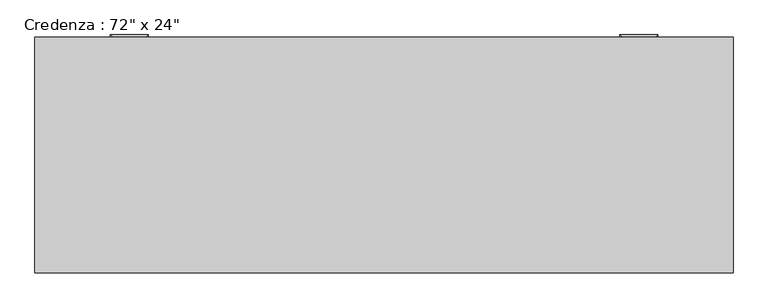
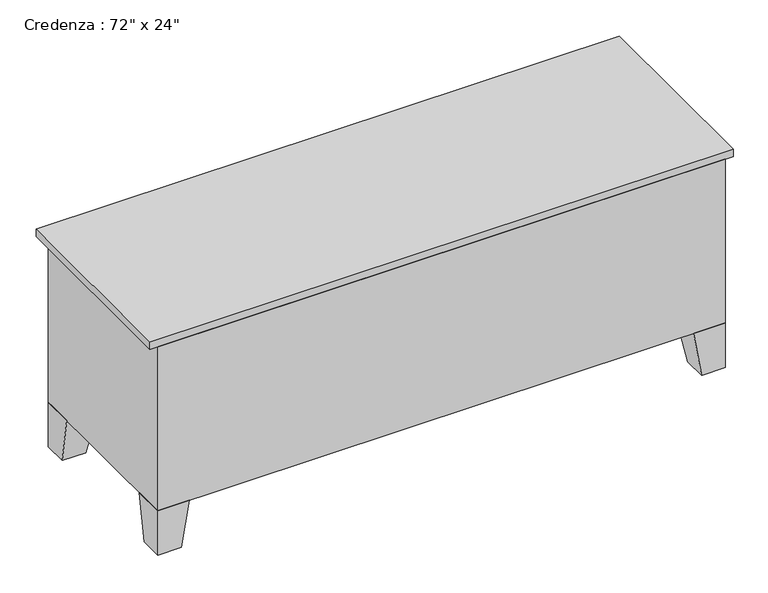
"""IFC4 building model written with IfcOpenShell, lengths in millimetres: furniture geometry."""

from ifc_helpers import new_model, si_unit, frame, origin, place, context, project, spatial, polyline, outline, extrude, faceted_brep, source, transform, mapped, element, save


def furniture_5a5a5c8e(model_context):
    return source(origin(), model_context, "Body", "SolidModel", [
        extrude(outline(polyline([(531.7023176, 267.2714583), (531.7023176, 254.5714583), (46.8442623, 254.5714583), (46.8442623, 267.2714583), (531.7023176, 267.2714583)])), frame((0.0, 0.0, 171.45), z_axis=(0.0, 0.0, 1.0), x_axis=(1.0, 0.0, 0.0)), (0.0, 0.0, 1.0), 520.7),
        extrude(outline(polyline([(73.6254475, 279.9714583), (73.6254475, 267.2714583), (-378.6057377, 267.2714583), (-378.6057377, 279.9714583), (73.6254475, 279.9714583)])), frame((0.0, 0.0, 171.45), z_axis=(0.0, 0.0, 1.0), x_axis=(1.0, 0.0, 0.0)), (0.0, 0.0, 1.0), 520.7),
        faceted_brep([(872.3442623, -309.3803279, 152.4), (973.9442623, -309.3803279, 152.4), (973.9442623, -207.7803279, 152.4), (872.3442623, -207.7803279, 152.4), (897.7442623, -309.3803279, 0.0), (897.7442623, -233.1803279, 0.0), (973.9442623, -233.1803279, 0.0), (973.9442623, -309.3803279, 0.0)], [[[0, 1, 2, 3]], [[4, 5, 6, 7]], [[4, 0, 3, 5]], [[5, 3, 2, 6]], [[6, 2, 1, 7]], [[7, 1, 0, 4]]]),
        extrude(outline(polyline([(954.8942623, 306.5696721), (954.8942623, 300.2196721), (516.7442623, 300.2196721), (516.7442623, 306.5696721), (954.8942623, 306.5696721)])), frame((0.0, 0.0, 584.2), z_axis=(0.0, 0.0, 1.0), x_axis=(1.0, 0.0, 0.0)), (0.0, 0.0, 1.0), 107.95),
        extrude(outline(polyline([(954.8942623, 306.5696721), (954.8942623, 300.2196721), (516.7442623, 300.2196721), (516.7442623, 306.5696721), (954.8942623, 306.5696721)])), frame((0.0, 0.0, 171.45), z_axis=(0.0, 0.0, 1.0), x_axis=(1.0, 0.0, 0.0)), (0.0, 0.0, 1.0), 393.7),
        extrude(outline(polyline([(-397.6557377, 306.5696721), (-397.6557377, 300.2196721), (-835.8057377, 300.2196721), (-835.8057377, 306.5696721), (-397.6557377, 306.5696721)])), frame((0.0, 0.0, 584.2), z_axis=(0.0, 0.0, 1.0), x_axis=(1.0, 0.0, 0.0)), (0.0, 0.0, 1.0), 107.95),
        extrude(outline(polyline([(-397.6557377, 306.5696721), (-397.6557377, 300.2196721), (-835.8057377, 300.2196721), (-835.8057377, 306.5696721), (-397.6557377, 306.5696721)])), frame((0.0, 0.0, 171.45), z_axis=(0.0, 0.0, 1.0), x_axis=(1.0, 0.0, 0.0)), (0.0, 0.0, 1.0), 393.7),
        faceted_brep([(-753.2557377, 300.2196721, 152.4), (-854.8557377, 300.2196721, 152.4), (-854.8557377, 198.6196721, 152.4), (-753.2557377, 198.6196721, 152.4), (-778.6557377, 300.2196721, 0.0), (-778.6557377, 224.0196721, 0.0), (-854.8557377, 224.0196721, 0.0), (-854.8557377, 300.2196721, 0.0)], [[[0, 1, 2, 3]], [[4, 5, 6, 7]], [[4, 0, 3, 5]], [[5, 3, 2, 6]], [[6, 2, 1, 7]], [[7, 1, 0, 4]]]),
        faceted_brep([(-753.2557377, -309.3803279, 152.4), (-753.2557377, -207.7803279, 152.4), (-854.8557377, -207.7803279, 152.4), (-854.8557377, -309.3803279, 152.4), (-778.6557377, -309.3803279, 0.0), (-854.8557377, -309.3803279, 0.0), (-854.8557377, -233.1803279, 0.0), (-778.6557377, -233.1803279, 0.0)], [[[0, 1, 2, 3]], [[4, 5, 6, 7]], [[4, 0, 3, 5]], [[5, 3, 2, 6]], [[6, 2, 1, 7]], [[7, 1, 0, 4]]]),
        faceted_brep([(872.3442623, 300.2196721, 152.4), (872.3442623, 198.6196721, 152.4), (973.9442623, 198.6196721, 152.4), (973.9442623, 300.2196721, 152.4), (897.7442623, 300.2196721, 0.0), (973.9442623, 300.2196721, 0.0), (973.9442623, 224.0196721, 0.0), (897.7442623, 224.0196721, 0.0)], [[[0, 1, 2, 3]], [[4, 5, 6, 7]], [[4, 0, 3, 5]], [[5, 3, 2, 6]], [[6, 2, 1, 7]], [[7, 1, 0, 4]]]),
        faceted_brep([(973.9442623, -309.3803279, 711.2), (973.9442623, 300.2196721, 711.2), (-854.8557377, 300.2196721, 711.2), (-854.8557377, -309.3803279, 711.2), (973.9442623, -309.3803279, 152.4), (-854.8557377, -309.3803279, 152.4), (-854.8557377, 300.2196721, 152.4), (973.9442623, 300.2196721, 152.4), (-378.6057377, 300.2196721, 692.15), (-378.6057377, 300.2196721, 171.45), (497.6942623, 300.2196721, 171.45), (497.6942623, 300.2196721, 692.15), (497.6942623, -290.3303279, 692.15), (497.6942623, -290.3303279, 171.45), (-378.6057377, -290.3303279, 171.45), (-378.6057377, -290.3303279, 692.15)], [[[0, 1, 2, 3]], [[4, 5, 6, 7]], [[3, 5, 4, 0]], [[2, 6, 5, 3]], [[1, 7, 6, 2], [8, 9, 10, 11]], [[0, 4, 7, 1]], [[12, 13, 14, 15]], [[15, 8, 11, 12]], [[14, 9, 8, 15]], [[13, 10, 9, 14]], [[12, 11, 10, 13]]]),
        extrude(outline(polyline([(999.3442623, -309.3803279), (-880.2557377, -309.3803279), (-880.2557377, 325.6196721), (999.3442623, 325.6196721), (999.3442623, -309.3803279)])), frame((0.0, 0.0, 711.2), z_axis=(0.0, 0.0, 1.0), x_axis=(1.0, 0.0, 0.0)), (0.0, 0.0, 1.0), 25.4),
        faceted_brep([(-670.7057377, 306.5696721, 527.05), (-677.0557377, 306.5696721, 527.05), (-677.0557377, 306.5696721, 514.35), (-670.7057377, 306.5696721, 514.35), (-670.7057377, 325.6196721, 514.35), (-670.7057377, 325.6196721, 527.05), (-677.0557377, 331.9696721, 514.35), (-677.0557377, 331.9696721, 527.05), (-581.8057377, 325.6196721, 514.35), (-581.8057377, 325.6196721, 527.05), (-575.4557377, 331.9696721, 514.35), (-575.4557377, 331.9696721, 527.05), (-581.8057377, 306.5696721, 527.05), (-581.8057377, 306.5696721, 514.35), (-575.4557377, 306.5696721, 514.35), (-575.4557377, 306.5696721, 527.05)], [[[0, 1, 2, 3]], [[3, 4, 5, 0]], [[2, 6, 4, 3]], [[1, 7, 6, 2]], [[0, 5, 7, 1]], [[4, 8, 9, 5]], [[6, 10, 8, 4]], [[7, 11, 10, 6]], [[5, 9, 11, 7]], [[12, 13, 14, 15]], [[8, 13, 12, 9]], [[10, 14, 13, 8]], [[11, 15, 14, 10]], [[9, 12, 15, 11]]]),
        faceted_brep([(-670.7057377, 306.5696721, 654.05), (-677.0557377, 306.5696721, 654.05), (-677.0557377, 306.5696721, 641.35), (-670.7057377, 306.5696721, 641.35), (-670.7057377, 325.6196721, 641.35), (-670.7057377, 325.6196721, 654.05), (-677.0557377, 331.9696721, 641.35), (-677.0557377, 331.9696721, 654.05), (-581.8057377, 325.6196721, 641.35), (-581.8057377, 325.6196721, 654.05), (-575.4557377, 331.9696721, 641.35), (-575.4557377, 331.9696721, 654.05), (-581.8057377, 306.5696721, 654.05), (-581.8057377, 306.5696721, 641.35), (-575.4557377, 306.5696721, 641.35), (-575.4557377, 306.5696721, 654.05)], [[[0, 1, 2, 3]], [[3, 4, 5, 0]], [[2, 6, 4, 3]], [[1, 7, 6, 2]], [[0, 5, 7, 1]], [[4, 8, 9, 5]], [[6, 10, 8, 4]], [[7, 11, 10, 6]], [[5, 9, 11, 7]], [[12, 13, 14, 15]], [[8, 13, 12, 9]], [[10, 14, 13, 8]], [[11, 15, 14, 10]], [[9, 12, 15, 11]]]),
        faceted_brep([(700.8942623, 306.5696721, 654.1373112), (694.5442623, 306.5696721, 654.1373112), (694.5442623, 306.5696721, 641.4373112), (700.8942623, 306.5696721, 641.4373112), (700.8942623, 325.6196721, 641.4373112), (700.8942623, 325.6196721, 654.1373112), (694.5442623, 331.9696721, 641.4373112), (694.5442623, 331.9696721, 654.1373112), (789.7942623, 325.6196721, 641.4373112), (789.7942623, 325.6196721, 654.1373112), (796.1442623, 331.9696721, 641.4373112), (796.1442623, 331.9696721, 654.1373112), (789.7942623, 306.5696721, 654.1373112), (789.7942623, 306.5696721, 641.4373112), (796.1442623, 306.5696721, 641.4373112), (796.1442623, 306.5696721, 654.1373112)], [[[0, 1, 2, 3]], [[3, 4, 5, 0]], [[2, 6, 4, 3]], [[1, 7, 6, 2]], [[0, 5, 7, 1]], [[4, 8, 9, 5]], [[6, 10, 8, 4]], [[7, 11, 10, 6]], [[5, 9, 11, 7]], [[12, 13, 14, 15]], [[8, 13, 12, 9]], [[10, 14, 13, 8]], [[11, 15, 14, 10]], [[9, 12, 15, 11]]]),
        faceted_brep([(700.8942623, 306.5696721, 527.05), (694.5442623, 306.5696721, 527.05), (694.5442623, 306.5696721, 514.35), (700.8942623, 306.5696721, 514.35), (700.8942623, 325.6196721, 514.35), (700.8942623, 325.6196721, 527.05), (694.5442623, 331.9696721, 514.35), (694.5442623, 331.9696721, 527.05), (789.7942623, 325.6196721, 514.35), (789.7942623, 325.6196721, 527.05), (796.1442623, 331.9696721, 514.35), (796.1442623, 331.9696721, 527.05), (789.7942623, 306.5696721, 527.05), (789.7942623, 306.5696721, 514.35), (796.1442623, 306.5696721, 514.35), (796.1442623, 306.5696721, 527.05)], [[[0, 1, 2, 3]], [[3, 4, 5, 0]], [[2, 6, 4, 3]], [[1, 7, 6, 2]], [[0, 5, 7, 1]], [[4, 8, 9, 5]], [[6, 10, 8, 4]], [[7, 11, 10, 6]], [[5, 9, 11, 7]], [[12, 13, 14, 15]], [[8, 13, 12, 9]], [[10, 14, 13, 8]], [[11, 15, 14, 10]], [[9, 12, 15, 11]]]),
    ])


if __name__ == "__main__":
    model = new_model("IFC4")
    model_context = context("Model", 3, world=origin())
    ifc_project = project(units=[si_unit("LENGTHUNIT", "METRE", prefix="MILLI")], contexts=[model_context])
    site = spatial("IfcSite", under=ifc_project)
    building = spatial("IfcBuilding", under=site)
    placement = place(None, origin())
    furniture_shape = furniture_5a5a5c8e(model_context)
    element("IfcFurniture", 1, ObjectType="Credenza : 72\" x 24\"", at=placement, inside=building, context=model_context, shape_type="MappedRepresentation", body=[
        mapped(furniture_shape, transform((0.0, 0.0, 0.0), x_axis=(1.0, 0.0, 0.0), y_axis=(0.0, 1.0, 0.0), z_axis=(0.0, 0.0, 1.0))),
    ])
    save(model, "model.ifc")
